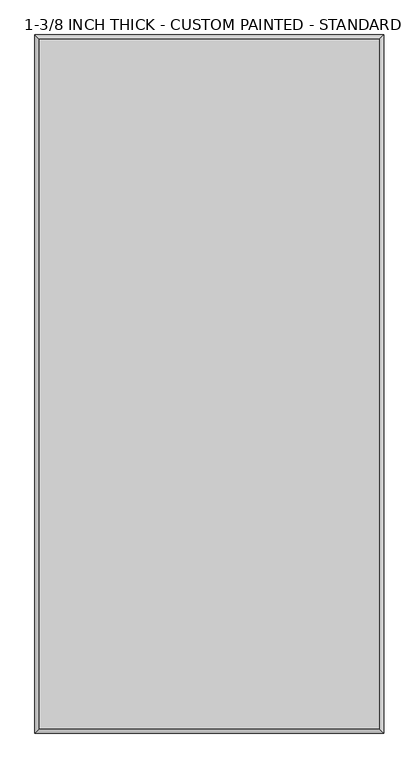
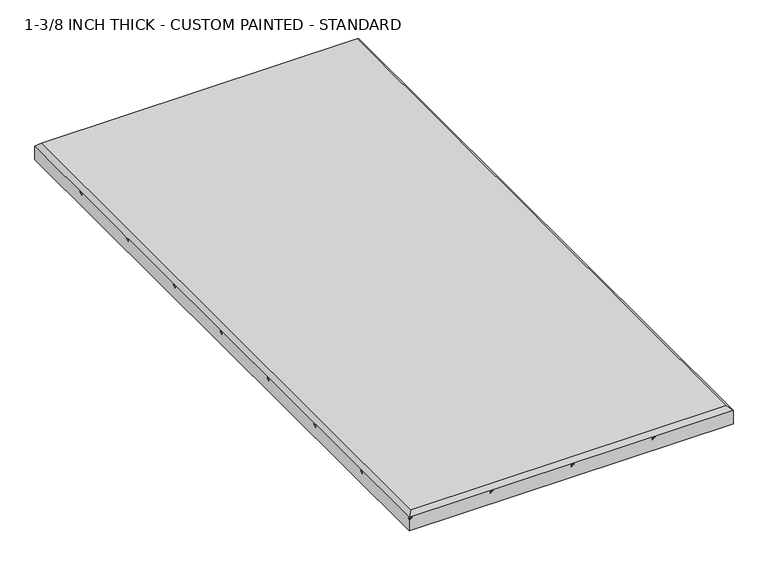
"""IFC4 building model written with IfcOpenShell, lengths in millimetres: proxy geometry, 1-3/8 INCH THICK - CUSTOM PAINTED - STANDARD."""

from ifc_helpers import new_model, si_unit, origin, place, context, project, spatial, faceted_brep, source, transform, mapped, element, save


def proxy_1_3_8_inch_thick_custom_painted_standard_f2df210b(model_context):
    return source(origin(), model_context, "Body", "Brep", [
        faceted_brep([(296.799, 601.599, 34.925), (-296.799, 601.599, 34.925), (-296.799, -601.599, 34.925), (296.799, -601.599, 34.925), (-304.8, 609.6, 0.0), (304.8, 609.6, 0.0), (304.8, -609.6, 0.0), (-304.8, -609.6, 0.0), (-304.8, -609.6, 21.3995), (-304.8, -603.9424386, 25.4), (-304.8, -609.6, 25.4), (-304.8, -609.6, 26.924), (-304.8, 609.6, 26.924), (-304.8, 457.1995174, 25.4), (-304.8, 457.1995174, 21.3995), (-304.8, 462.8580948, 25.4), (-304.8, 304.8000254, 25.4), (-304.8, 304.8000254, 21.3995), (-304.8, 310.4575868, 25.4), (-304.8, 152.4000254, 25.4), (-304.8, 152.4000254, 21.3995), (-304.8, 158.0575836, 25.4), (-304.8, 5.08e-05, 25.4), (-304.8, 5.08e-05, 21.3995), (-304.8, 5.6575614, 25.4), (-304.8, -152.3999746, 25.4), (-304.8, -152.3999746, 21.3995), (-304.8, -146.7424132, 25.4), (-304.8, -304.7999746, 25.4), (-304.8, -304.7999746, 21.3995), (-304.8, -299.1424132, 25.4), (-304.8, -457.1999746, 25.4), (-304.8, -457.1999746, 21.3995), (-304.8, -451.5424132, 25.4), (304.8, -609.6, 26.924), (-299.1424386, -609.6, 25.4), (-152.4010414, -609.6, 21.3995), (-152.4010414, -609.6, 25.4), (-146.742464, -609.6, 25.4), (0.0, -609.6, 21.3995), (0.0, -609.6, 25.4), (5.6575611, -609.6, 25.4), (152.4004826, -609.6, 21.3995), (152.4004826, -609.6, 25.4), (158.0580345, -609.6, 25.4), (304.8, 609.6, 21.3995), (304.8, 603.9424386, 25.4), (304.8, 609.6, 25.4), (304.8, 609.6, 26.924), (304.8, 457.2000254, 25.4), (304.8, 457.2000254, 21.3995), (304.8, 451.542464, 25.4), (304.8, 304.8000254, 25.4), (304.8, 304.8000254, 21.3995), (304.8, 299.142464, 25.4), (304.8, 152.4000254, 25.4), (304.8, 152.4000254, 21.3995), (304.8, 146.742464, 25.4), (304.8, 0.0, 25.4), (304.8, 0.0, 21.3995), (304.8, -5.6575614, 25.4), (304.8, -152.3999746, 25.4), (304.8, -152.3999746, 21.3995), (304.8, -158.057536, 25.4), (304.8, -304.7999746, 25.4), (304.8, -304.7999746, 21.3995), (304.8, -310.4575362, 25.4), (304.8, -457.1999746, 25.4), (304.8, -457.1999746, 21.3995), (304.8, -462.8575454, 25.4), (299.1424386, 609.6, 25.4), (-152.4005334, 609.6, 21.3995), (-152.4005334, 609.6, 25.4), (-158.0580948, 609.6, 25.4), (-2.54e-05, 609.6, 21.3995), (-2.54e-05, 609.6, 25.4), (-5.6575868, 609.6, 25.4), (152.4004826, 609.6, 21.3995), (152.4004826, 609.6, 25.4), (146.7429181, 609.6, 25.4), (-149.5717527, 606.7712193, 25.4), (-301.9717273, 454.3712447, 25.4), (2.8287553, 606.7712193, 25.4), (-301.9712193, 301.9712447, 25.4), (155.2292617, 606.7712178, 25.4), (-301.9712209, 149.5712432, 25.4), (-301.9711939, -2.8287553, 25.4), (301.9712193, 460.0288061, 25.4), (-301.9712193, -155.2287553, 25.4), (301.9712193, 307.6288061, 25.4), (-301.9712193, -307.6287553, 25.4), (301.9712193, 155.2288061, 25.4), (-301.9712193, -460.0287553, 25.4), (301.9712193, 2.8287807, 25.4), (301.9712193, -149.5711939, 25.4), (-155.2293141, -606.7717273, 25.4), (301.9712192, -301.971194, 25.4), (-2.8287808, -606.7712194, 25.4), (301.9712146, -454.3711986, 25.4), (149.5716972, -606.771224, 25.4)], [[[0, 1, 2, 3]], [[4, 5, 6, 7]], [[4, 7, 8, 9, 10, 11, 12], [13, 14, 15], [16, 17, 18], [19, 20, 21], [22, 23, 24], [25, 26, 27], [28, 29, 30], [31, 32, 33]], [[7, 6, 34, 11, 10, 35, 8], [36, 37, 38], [39, 40, 41], [42, 43, 44]], [[6, 5, 45, 46, 47, 48, 34], [49, 50, 51], [52, 53, 54], [55, 56, 57], [58, 59, 60], [61, 62, 63], [64, 65, 66], [67, 68, 69]], [[5, 4, 12, 48, 47, 70, 45], [71, 72, 73], [74, 75, 76], [77, 78, 79]], [[12, 1, 0, 48]], [[1, 12, 11, 2]], [[2, 11, 34, 3]], [[48, 0, 3, 34]], [[14, 71, 73, 15]], [[80, 71, 14, 81]], [[17, 74, 76, 18]], [[82, 74, 17, 83]], [[20, 77, 79, 21]], [[84, 77, 20, 85]], [[23, 45, 70, 24]], [[23, 86, 46, 45]], [[50, 87, 27, 26]], [[26, 88, 51, 50]], [[53, 89, 30, 29]], [[29, 90, 54, 53]], [[56, 91, 33, 32]], [[32, 92, 57, 56]], [[59, 93, 9, 8]], [[59, 8, 35, 60]], [[62, 94, 95, 36]], [[62, 36, 38, 63]], [[65, 96, 97, 39]], [[65, 39, 41, 66]], [[68, 98, 99, 42]], [[68, 42, 44, 69]], [[71, 80, 72]], [[81, 14, 13]], [[80, 81, 13, 15, 73, 72]], [[74, 82, 75]], [[83, 17, 16]], [[82, 83, 16, 18, 76, 75]], [[77, 84, 78]], [[85, 20, 19]], [[84, 85, 19, 21, 79, 78]], [[86, 23, 22]], [[86, 22, 24, 70, 47, 46]], [[87, 50, 49]], [[88, 26, 25]], [[87, 49, 51, 88, 25, 27]], [[89, 53, 52]], [[90, 29, 28]], [[89, 52, 54, 90, 28, 30]], [[91, 56, 55]], [[92, 32, 31]], [[91, 55, 57, 92, 31, 33]], [[93, 59, 58]], [[93, 58, 60, 35, 10, 9]], [[94, 62, 61]], [[36, 95, 37]], [[95, 94, 61, 63, 38, 37]], [[96, 65, 64]], [[39, 97, 40]], [[97, 96, 64, 66, 41, 40]], [[98, 68, 67]], [[42, 99, 43]], [[99, 98, 67, 69, 44, 43]]]),
    ])


if __name__ == "__main__":
    model = new_model("IFC4")
    model_context = context("Model", 3, world=origin())
    ifc_project = project(units=[si_unit("LENGTHUNIT", "METRE", prefix="MILLI")], contexts=[model_context])
    site = spatial("IfcSite", under=ifc_project)
    building = spatial("IfcBuilding", under=site)
    placement = place(None, origin())
    proxy_1_3_8_inch_thick_custom_painted_standard_shape = proxy_1_3_8_inch_thick_custom_painted_standard_f2df210b(model_context)
    element("IfcBuildingElementProxy", 1, Name="1-3/8 INCH THICK - CUSTOM PAINTED - STANDARD", ObjectType="1-3/8 INCH THICK - CUSTOM PAINTED - STANDARD", at=placement, inside=building, context=model_context, shape_type="MappedRepresentation", body=[
        mapped(proxy_1_3_8_inch_thick_custom_painted_standard_shape, transform((0.0, 0.0, 0.0), x_axis=(1.0, 0.0, 0.0), y_axis=(0.0, 1.0, 0.0), z_axis=(0.0, 0.0, 1.0))),
    ])
    save(model, "model.ifc")
